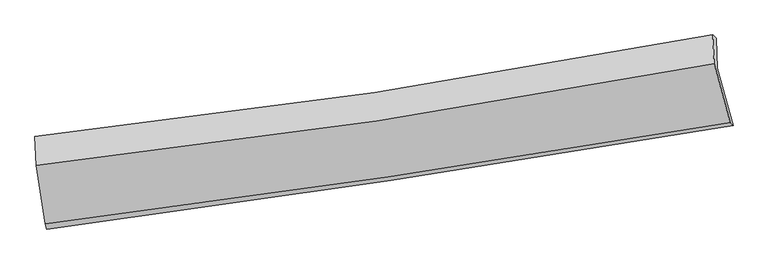
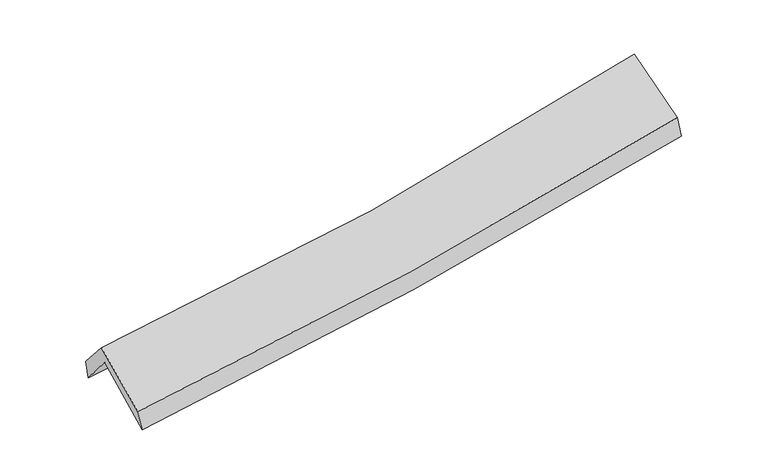
"""IFC4 building model written with IfcOpenShell, lengths in millimetres: proxy geometry."""

from ifc_helpers import new_model, si_unit, frame, origin, place, context, project, spatial, source, transform, mapped, element, save
from ifc_brep_helpers import plane_surface, spline_curve, spline_surface, advanced_brep


def generic_models_fd0f48a7(model_context):
    return source(origin(), model_context, "Body", "AdvancedBrep", [
        advanced_brep(
        [(-2833.3644985, -2507.4884558, 1480.8940018), (-2911.4876012, -2006.3159588, 1904.3329611), (2846.8761484, -1139.5312911, 2388.7115079), (2981.6489746, -1626.4377388, 1968.3480387), (-2923.0975555, -1748.302315, 1591.1545165), (2836.8836764, -886.1420848, 2071.4458288), (-2934.7644755, -1721.8500659, 1753.5600593), (2809.016491, -858.1264371, 2274.8833197), (-2922.8949372, -1968.7088779, 2039.0599629), (2821.2241662, -1101.2628545, 2555.9654943), (-2847.1998322, -2461.2904164, 1643.0951942), (2956.3648182, -1600.7624242, 2152.5175243)],
        [
            (0, 1),
            (1, 2, spline_curve(3, [(-2911.4876012, -2006.3159588, 1904.3329611), (-1943.633513279, -1902.032581069, 1941.44764375), (-980.522758445, -1777.790811254, 2000.280971611), (938.959055289, -1488.977166026, 2161.615804419), (1895.302883745, -1324.290713579, 2264.241992139), (2846.8761484, -1139.5312911, 2388.7115079)], [4, 2, 4], [0.0, 9.623179111501669, 19.273941154366835])),
            (2, 3),
            (3, 0, spline_curve(3, [(2981.6489746, -1626.4377388, 1968.3480387), (2017.359856548, -1791.940651886, 1850.798006088), (1049.932868335, -1948.204871781, 1751.369583937), (-888.422866828, -2241.835709016, 1588.988343807), (-1859.333703459, -2379.255061622, 1525.932087113), (-2833.3644985, -2507.4884558, 1480.8940018)], [4, 2, 4], [0.0, 9.650762042865166, 19.273941154366835])),
            (1, 4),
            (4, 5, spline_curve(3, [(-2923.0975555, -1748.302315, 1591.1545165), (-1956.568102454, -1636.151209793, 1630.533639222), (-993.986207957, -1508.354214385, 1690.161178629), (926.030198055, -1221.057290875, 1850.142040534), (1883.442047689, -1061.467543477, 1950.611604769), (2836.8836764, -886.1420848, 2071.4458288)], [4, 2, 4], [0.0, 9.57691236661319, 19.181275050156135])),
            (5, 2),
            (4, 6),
            (6, 7, spline_curve(3, [(-2934.7644755, -1721.8500659, 1753.5600593), (-1969.422849146, -1616.514422992, 1798.230885976), (-1008.781878955, -1492.000124886, 1863.917613509), (905.838761976, -1204.202349605, 2037.571384951), (1859.7914475, -1040.80877171, 2145.659077832), (2809.016491, -858.1264371, 2274.8833197)], [4, 2, 4], [0.0, 9.56715326079502, 19.16172886598153])),
            (7, 5),
            (6, 8),
            (8, 9, spline_curve(3, [(-2922.8949372, -1968.7088779, 2039.0599629), (-1957.654389845, -1859.615833308, 2079.439541527), (-997.035933876, -1732.910833232, 2142.610483057), (917.696968554, -1443.863265681, 2314.781486013), (1871.784880534, -1281.419591531, 2423.912388122), (2821.2241662, -1101.2628545, 2555.9654943)], [4, 2, 4], [0.0, 9.558172448612273, 19.14374149990187])),
            (9, 7),
            (8, 10),
            (10, 11, spline_curve(3, [(-2847.1998322, -2461.2904164, 1643.0951942), (-1874.56361566, -2340.877985948, 1692.260653789), (-905.302406292, -2209.080047091, 1759.209006152), (1029.238519226, -1922.302745199, 1928.91436093), (1994.498860019, -1767.25801997, 2031.773452102), (2956.3648182, -1600.7624242, 2152.5175243)], [4, 2, 4], [0.0, 9.603933547889199, 19.23539486355676])),
            (11, 9),
            (10, 0),
            (3, 11),
        ],
        [
            spline_surface(3, 3, [[(-2833.3644985, -2507.4884558, 1480.8940018), (-1859.333703352, -2379.255061708, 1525.93208718), (-888.422866979, -2241.835709106, 1588.988343908), (1049.932868487, -1948.204871691, 1751.369583835), (2017.359856515, -1791.940651963, 1850.798006053), (2981.6489746, -1626.4377388, 1968.3480387)], [(-2859.405532751, -2340.430956778, 1622.04032157), (-1887.433640048, -2220.180901472, 1664.437272683), (-919.122830831, -2087.154076469, 1726.085886478), (1012.941597416, -1795.128969841, 1888.118324036), (1976.674198882, -1636.057339107, 1988.612668068), (2936.724699195, -1464.135589555, 2108.469195112)], [(-2885.446566949, -2173.373457822, 1763.18664133), (-1915.533576691, -2061.106741301, 1802.942458175), (-949.82279463, -1932.472443804, 1863.183429036), (975.950326396, -1642.053067963, 2024.867064225), (1935.988541265, -1480.174026284, 2126.427330046), (2891.800423805, -1301.833440345, 2248.590351488)], [(-2911.4876012, -2006.3159588, 1904.3329611), (-1943.633513387, -1902.032581064, 1941.447643678), (-980.522758482, -1777.790811167, 2000.280971605), (938.959055326, -1488.977166113, 2161.615804425), (1895.302883631, -1324.290713427, 2264.24199206), (2846.8761484, -1139.5312911, 2388.7115079)]], [4, 4], [4, 2, 4], [0.0, 2.0545165873504962], [0.0, 9.623179111501669, 19.273941154366835]),
            spline_surface(3, 3, [[(-2911.4876012, -2006.3159588, 1904.3329611), (-1943.633513387, -1902.032581064, 1941.447643678), (-980.522758482, -1777.790811167, 2000.280971605), (938.959055326, -1488.977166113, 2161.615804425), (1895.302883631, -1324.290713427, 2264.24199206), (2846.8761484, -1139.5312911, 2388.7115079)], [(-2915.357585945, -1920.311410888, 1799.940146235), (-1947.945043042, -1813.405457376, 1837.809642174), (-985.010574982, -1687.978612196, 1896.907707323), (934.649436279, -1399.670541094, 2057.791216417), (1891.349271683, -1236.68299007, 2159.698529666), (2843.545324413, -1055.068222328, 2282.956281541)], [(-2919.227570755, -1834.306862912, 1695.547331365), (-1952.256572762, -1724.778333624, 1734.171640666), (-989.498391535, -1598.166413201, 1793.534443043), (930.339817181, -1310.363916049, 1953.96662841), (1887.395659697, -1149.075266727, 2055.155067247), (2840.214500387, -970.605153572, 2177.201055159)], [(-2923.0975555, -1748.302315, 1591.1545165), (-1956.568102417, -1636.151209936, 1630.533639162), (-993.986208035, -1508.35421423, 1690.161178761), (926.030198134, -1221.05729103, 1850.142040402), (1883.442047749, -1061.46754337, 1950.611604852), (2836.8836764, -886.1420848, 2071.4458288)]], [4, 4], [4, 2, 4], [0.0, 1.3485679958167653], [0.0, 9.57691236661319, 19.181275050156135]),
            spline_surface(3, 3, [[(-2923.0975555, -1748.302315, 1591.1545165), (-1956.568102417, -1636.151209936, 1630.533639162), (-993.986208035, -1508.35421423, 1690.161178761), (926.030198134, -1221.05729103, 1850.142040402), (1883.442047749, -1061.46754337, 1950.611604852), (2836.8836764, -886.1420848, 2071.4458288)], [(-2926.986528858, -1739.484898619, 1645.289697427), (-1960.85301803, -1629.605614316, 1686.432721471), (-998.918098372, -1502.902851065, 1748.079990321), (919.299719453, -1215.438977231, 1912.618488639), (1875.558514315, -1054.581286165, 2015.627429176), (2827.594614613, -876.803535559, 2139.258325742)], [(-2930.875502142, -1730.667482281, 1699.424878373), (-1965.137933568, -1623.06001874, 1742.331803798), (-1003.849988721, -1497.451487961, 1805.998801834), (912.56924076, -1209.820663494, 1975.094936829), (1867.674980843, -1047.695028983, 2080.643253575), (2818.305552787, -867.464986341, 2207.070822758)], [(-2934.7644755, -1721.8500659, 1753.5600593), (-1969.422849181, -1616.514423121, 1798.230886107), (-1008.781879058, -1492.000124795, 1863.917613394), (905.838762079, -1204.202349696, 2037.571385066), (1859.791447409, -1040.808771777, 2145.659077898), (2809.016491, -858.1264371, 2274.8833197)]], [4, 4], [4, 2, 4], [0.0, 0.597823502309744], [0.0, 9.56715326079502, 19.16172886598153]),
            spline_surface(3, 3, [[(-2934.7644755, -1721.8500659, 1753.5600593), (-1969.422849181, -1616.514423121, 1798.230886107), (-1008.781879058, -1492.000124795, 1863.917613394), (905.838762079, -1204.202349696, 2037.571385066), (1859.791447409, -1040.808771777, 2145.659077898), (2809.016491, -858.1264371, 2274.8833197)], [(-2930.807962713, -1804.136336568, 1848.726693852), (-1965.500029353, -1697.548226527, 1891.967104631), (-1004.866563994, -1572.303694259, 1956.815236657), (909.791497556, -1284.089321718, 2129.974752012), (1863.789258407, -1121.012378348, 2238.410181325), (2813.085716055, -939.171909584, 2368.57737791)], [(-2926.851449987, -1886.422607232, 1943.893328348), (-1961.577209587, -1778.58202993, 1985.703323098), (-1000.951248914, -1652.607263705, 2049.712859911), (913.744233051, -1363.976293723, 2222.37811895), (1867.787069441, -1201.215984867, 2331.161284722), (2817.154941145, -1020.217382016, 2462.27143609)], [(-2922.8949372, -1968.7088779, 2039.0599629), (-1957.654389759, -1859.615833337, 2079.439541622), (-997.03593385, -1732.910833168, 2142.610483174), (917.696968529, -1443.863265745, 2314.781485896), (1871.784880438, -1281.419591437, 2423.912388149), (2821.2241662, -1101.2628545, 2555.9654943)]], [4, 4], [4, 2, 4], [0.0, 1.206044796256216], [0.0, 9.558172448612273, 19.14374149990187]),
            spline_surface(3, 3, [[(-2922.8949372, -1968.7088779, 2039.0599629), (-1957.654389759, -1859.615833337, 2079.439541622), (-997.03593385, -1732.910833168, 2142.610483174), (917.696968529, -1443.863265745, 2314.781485896), (1871.784880438, -1281.419591437, 2423.912388149), (2821.2241662, -1101.2628545, 2555.9654943)], [(-2897.663235549, -2132.902724063, 1907.071706668), (-1929.957465077, -2020.036550912, 1950.379912353), (-966.458091336, -1891.633904493, 2014.809990794), (954.877485395, -1603.34309223, 2186.15911095), (1912.689540253, -1443.365734302, 2293.199409507), (2866.271050193, -1267.762711046, 2421.482837649)], [(-2872.431533851, -2297.096570237, 1775.083450432), (-1902.260540348, -2180.4572685, 1821.320283081), (-935.880248765, -2050.356975791, 1887.00949841), (992.058002318, -1762.822918689, 2057.536735998), (1953.594200089, -1605.311877228, 2162.486430818), (2911.317934207, -1434.262567654, 2287.000180951)], [(-2847.1998322, -2461.2904164, 1643.0951942), (-1874.563615666, -2340.877986076, 1692.260653813), (-905.302406251, -2209.080047116, 1759.20900603), (1029.238519185, -1922.302745174, 1928.914361052), (1994.498859904, -1767.258020092, 2031.773452176), (2956.3648182, -1600.7624242, 2152.5175243)]], [4, 4], [4, 2, 4], [0.0, 2.0386264107080394], [0.0, 9.603933547889199, 19.23539486355676]),
            spline_surface(3, 3, [[(-2847.1998322, -2461.2904164, 1643.0951942), (-1874.563615666, -2340.877986076, 1692.260653813), (-905.302406251, -2209.080047116, 1759.20900603), (1029.238519185, -1922.302745174, 1928.914361052), (1994.498859904, -1767.258020092, 2031.773452176), (2956.3648182, -1600.7624242, 2152.5175243)], [(-2842.588054284, -2476.689762884, 1589.028130048), (-1869.486978212, -2353.670344637, 1636.81779825), (-899.67589314, -2219.998601101, 1702.468785299), (1036.136635639, -1930.936787335, 1869.732768623), (2002.119192107, -1775.485564077, 1971.448303448), (2964.792870332, -1609.320862427, 2091.127695746)], [(-2837.976276416, -2492.089109316, 1534.961065952), (-1864.410340806, -2366.462703147, 1581.374942743), (-894.04938009, -2230.917155121, 1645.728564639), (1043.034752032, -1939.570829531, 1810.551176265), (2009.739524313, -1783.713107979, 1911.123154782), (2973.220922468, -1617.879300573, 2029.737867254)], [(-2833.3644985, -2507.4884558, 1480.8940018), (-1859.333703352, -2379.255061708, 1525.93208718), (-888.422866979, -2241.835709106, 1588.988343908), (1049.932868487, -1948.204871691, 1751.369583835), (2017.359856515, -1791.940651963, 1850.798006053), (2981.6489746, -1626.4377388, 1968.3480387)]], [4, 4], [4, 2, 4], [0.0, 0.5818438813564816], [0.0, 9.659526376782873, 19.34673986714511]),
            plane_surface(frame((2875.3357125, -1202.0438051, 2235.3119523), z_axis=(0.9782495080605125, 0.17601104899297765, 0.10976343021132805), x_axis=(0.20595993524537692, -0.7612579746456354, -0.6148713695661437))),
            plane_surface(frame((-2895.46815, -2068.9926816, 1735.3494493), z_axis=(-0.9925425675681578, -0.10955080648801818, -0.053459071849724385), x_axis=(-0.08176017048895882, 0.2730082013600224, 0.9585310618398247))),
        ],
        [
            (0, [[1, 2, 3, 4]]),
            (1, [[5, 6, 7, -2]]),
            (2, [[8, 9, 10, -6]]),
            (3, [[11, 12, 13, -9]]),
            (4, [[14, 15, 16, -12]]),
            (5, [[17, -4, 18, -15]]),
            (6, [[-16, -18, -3, -7, -10, -13]]),
            (7, [[-17, -14, -11, -8, -5, -1]]),
        ],
    ),
    ])


if __name__ == "__main__":
    model = new_model("IFC4")
    model_context = context("Model", 3, world=origin())
    ifc_project = project(units=[si_unit("LENGTHUNIT", "METRE", prefix="MILLI")], contexts=[model_context])
    site = spatial("IfcSite", under=ifc_project)
    building = spatial("IfcBuilding", under=site)
    placement = place(None, origin())
    generic_models_shape = generic_models_fd0f48a7(model_context)
    element("IfcBuildingElementProxy", 1, Name="Generic Models", at=placement, inside=building, context=model_context, shape_type="MappedRepresentation", body=[
        mapped(generic_models_shape, transform((0.0, 0.0, 0.0), x_axis=(1.0, 0.0, 0.0), y_axis=(0.0, 1.0, 0.0), z_axis=(0.0, 0.0, 1.0))),
    ])
    save(model, "model.ifc")
